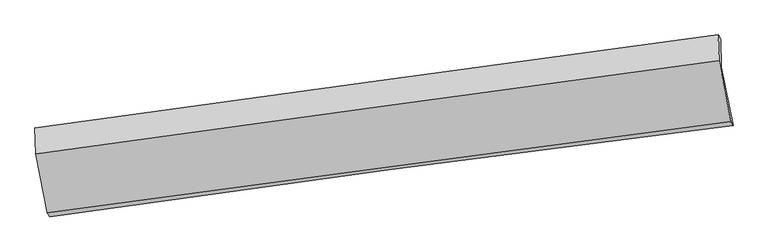
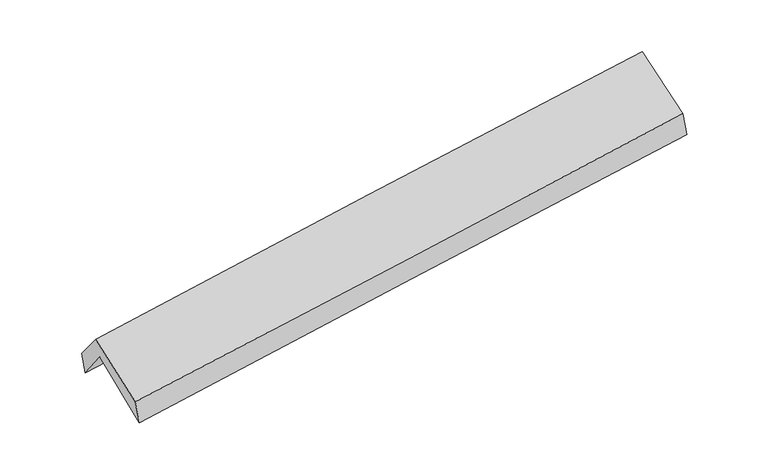
"""IFC4 building model written with IfcOpenShell, lengths in millimetres: proxy geometry."""

from ifc_helpers import new_model, si_unit, frame, origin, place, context, project, spatial, source, transform, mapped, element, save
from ifc_brep_helpers import plane_surface, spline_curve, spline_surface, advanced_brep


def generic_models_a773a335(model_context):
    return source(origin(), model_context, "Body", "AdvancedBrep", [
        advanced_brep(
        [(-2908.9882071, -2494.6944799, 1449.9626295), (-3012.1569134, -1983.3923806, 1873.6263059), (2953.5048876, -1182.3218411, 2375.2291566), (3057.3669212, -1691.9747832, 1940.0251639), (-3019.7430319, -1745.1241586, 1561.7353864), (2947.5706625, -938.3893464, 2032.8767081), (-3039.5520481, -1717.1603776, 1763.1025858), (2926.3171916, -900.6552313, 2235.7110344), (-3031.2504363, -1942.9015168, 2044.5788079), (2934.6625338, -1127.888728, 2519.1883373), (-2930.2011155, -2459.4043952, 1656.464749), (3036.2362075, -1657.0724248, 2146.1561937)],
        [
            (0, 1),
            (1, 2, spline_curve(3, [(-3012.1569134, -1983.3923806, 1873.6263059), (-2017.439996214, -1847.015044959, 1946.892530751), (-1022.946867794, -1712.071000535, 2025.325520416), (965.607073003, -1445.04744304, 2192.526312137), (1959.667878125, -1312.967974698, 2281.294272588), (2953.5048876, -1182.3218411, 2375.2291566)], [4, 2, 4], [0.0, 9.908295447700135, 19.81674297552039])),
            (2, 3),
            (3, 0, spline_curve(3, [(3057.3669212, -1691.9747832, 1940.0251639), (2062.006367365, -1814.153695569, 1850.77988667), (1067.126017691, -1942.137017637, 1765.318419324), (-921.659010109, -2209.710428318, 1601.964357308), (-1915.563703532, -2349.300338116, 1524.071646695), (-2908.9882071, -2494.6944799, 1449.9626295)], [4, 2, 4], [0.0, 9.908447527820256, 19.81674297552039])),
            (1, 4),
            (4, 5, spline_curve(3, [(-3019.7430319, -1745.1241586, 1561.7353864), (-2025.542046526, -1604.31602595, 1633.916990261), (-1031.169230176, -1466.684550461, 1709.269243384), (957.935329411, -1197.772848624, 1866.316253445), (1952.667077727, -1066.492720309, 1948.011107467), (2947.5706625, -938.3893464, 2032.8767081)], [4, 2, 4], [0.0, 9.908217580430781, 19.816587239786518])),
            (5, 2),
            (4, 6),
            (6, 7, spline_curve(3, [(-3039.5520481, -1717.1603776, 1763.1025858), (-2045.921443093, -1577.327458225, 1844.125907475), (-1051.954188276, -1439.369410718, 1924.021311999), (936.668881015, -1167.200971173, 2081.557496384), (1931.324706414, -1032.990636448, 2159.198240993), (2926.3171916, -900.6552313, 2235.7110344)], [4, 2, 4], [0.0, 9.908104529583325, 19.816361136356413])),
            (7, 5),
            (6, 8),
            (8, 9, spline_curve(3, [(-3031.2504363, -1942.9015168, 2044.5788079), (-2037.521401016, -1805.899549731, 2129.203457154), (-1043.501286494, -1669.481350187, 2211.066293476), (945.136360945, -1397.810402922, 2369.269554427), (1939.753903461, -1262.557672441, 2445.609894604), (2934.6625338, -1127.888728, 2519.1883373)], [4, 2, 4], [0.0, 9.908094873150548, 19.816341823342643])),
            (9, 7),
            (8, 10),
            (10, 11, spline_curve(3, [(-2930.2011155, -2459.4043952, 1656.464749), (-1935.519761637, -2325.603366542, 1734.58245163), (-940.979789474, -2191.842367359, 1814.44859681), (1047.832656067, -1924.398375989, 1977.679024873), (2042.105124455, -1790.715384962, 2061.043361089), (3036.2362075, -1657.0724248, 2146.1561937)], [4, 2, 4], [0.0, 9.908071476433033, 19.816295029548503])),
            (11, 9),
            (10, 0),
            (3, 11),
        ],
        [
            spline_surface(3, 3, [[(-2908.9882071, -2494.6944799, 1449.9626295), (-1915.563703404, -2349.300338248, 1524.071646676), (-921.659010222, -2209.710428189, 1601.964357323), (1067.126017804, -1942.137017765, 1765.318419309), (2062.006367388, -1814.153695618, 1850.779886788), (3057.3669212, -1691.9747832, 1940.0251639)], [(-2943.377775879, -2324.260446788, 1591.183854949), (-1949.52246768, -2181.87190719, 1665.011941397), (-955.421629389, -2043.830618911, 1743.084745024), (1033.286369473, -1776.440492906, 1907.721050227), (2027.893537581, -1647.091788672, 1994.284682095), (3022.746243318, -1522.090469167, 2085.093161456)], [(-2977.767344621, -2153.826413712, 1732.405080451), (-1983.481231918, -2014.443476167, 1805.952236172), (-989.184248495, -1877.950809649, 1884.205132757), (999.446721203, -1610.743968063, 2050.123681177), (1993.780707819, -1480.029881724, 2137.789477434), (2988.125565482, -1352.206155133, 2230.161159044)], [(-3012.1569134, -1983.3923806, 1873.6263059), (-2017.439996194, -1847.015045109, 1946.892530893), (-1022.946867663, -1712.071000371, 2025.325520458), (965.607072871, -1445.047443204, 2192.526312095), (1959.667878012, -1312.967974778, 2281.294272741), (2953.5048876, -1182.3218411, 2375.2291566)]], [4, 4], [4, 2, 4], [0.0, 2.1726024197948335], [0.0, 9.908295447700135, 19.81674297552039]),
            spline_surface(3, 3, [[(-3012.1569134, -1983.3923806, 1873.6263059), (-2017.439996194, -1847.015045109, 1946.892530893), (-1022.946867663, -1712.071000371, 2025.325520458), (965.607072871, -1445.047443204, 2192.526312095), (1959.667878012, -1312.967974778, 2281.294272741), (2953.5048876, -1182.3218411, 2375.2291566)], [(-3014.685619566, -1903.969639938, 1769.662666076), (-2020.140679625, -1766.11537209, 1842.567350709), (-1025.687655162, -1630.275517013, 1919.973428111), (963.049825035, -1362.622578377, 2083.789625838), (1957.334277956, -1230.80955666, 2170.199884312), (2951.526812569, -1101.011009547, 2261.11167377)], [(-3017.214325734, -1824.546899262, 1665.699026224), (-2022.841363058, -1685.215699058, 1738.242170499), (-1028.428442646, -1548.480033687, 1814.621335809), (960.492577216, -1280.197713581, 1975.052939625), (1955.000677893, -1148.651138499, 2059.105495873), (2949.548737531, -1019.700177953, 2146.99419093)], [(-3019.7430319, -1745.1241586, 1561.7353864), (-2025.542046489, -1604.316026039, 1633.916990315), (-1031.169230145, -1466.684550329, 1709.269243461), (957.935329379, -1197.772848755, 1866.316253368), (1952.667077837, -1066.492720381, 1948.011107444), (2947.5706625, -938.3893464, 2032.8767081)]], [4, 4], [4, 2, 4], [0.0, 1.328105914964452], [0.0, 9.908217580430781, 19.816587239786518]),
            spline_surface(3, 3, [[(-3019.7430319, -1745.1241586, 1561.7353864), (-2025.542046489, -1604.316026039, 1633.916990315), (-1031.169230145, -1466.684550329, 1709.269243461), (957.935329379, -1197.772848755, 1866.316253368), (1952.667077837, -1066.492720381, 1948.011107444), (2947.5706625, -938.3893464, 2032.8767081)], [(-3026.346037275, -1735.802898251, 1628.857786216), (-2032.335178641, -1595.319836739, 1703.986629371), (-1038.097549543, -1457.579503799, 1780.853266344), (950.846513323, -1187.582222868, 1938.063334329), (1945.552954053, -1055.325359049, 2018.40681867), (2940.486172207, -925.811308022, 2100.488150192)], [(-3032.949042725, -1726.481637949, 1695.980185984), (-2039.128310866, -1586.323647487, 1774.056268379), (-1045.025869007, -1448.474457297, 1852.43728924), (943.7576972, -1177.391597011, 2009.810415301), (1938.438830249, -1044.157997751, 2088.80252992), (2933.401681893, -913.233269678, 2168.099592308)], [(-3039.5520481, -1717.1603776, 1763.1025858), (-2045.921443019, -1577.327458187, 1844.125907435), (-1051.954188404, -1439.369410766, 1924.021312122), (936.668881143, -1167.200971125, 2081.557496261), (1931.324706466, -1032.99063642, 2159.198241145), (2926.3171916, -900.6552313, 2235.7110344)]], [4, 4], [4, 2, 4], [0.0, 0.7150678581002861], [0.0, 9.908104529583325, 19.816361136356413]),
            spline_surface(3, 3, [[(-3039.5520481, -1717.1603776, 1763.1025858), (-2045.921443019, -1577.327458187, 1844.125907435), (-1051.954188404, -1439.369410766, 1924.021312122), (936.668881143, -1167.200971125, 2081.557496261), (1931.324706466, -1032.99063642, 2159.198241145), (2926.3171916, -900.6552313, 2235.7110344)], [(-3036.784844167, -1792.407424016, 1856.92799314), (-2043.121428986, -1653.518155334, 1939.15175726), (-1049.136554481, -1516.073390636, 2019.702972525), (939.49137447, -1244.070781698, 2177.461515708), (1934.134438838, -1109.512981762, 2254.66879234), (2929.098972343, -976.399730192, 2330.203468716)], [(-3034.017640233, -1867.654470384, 1950.75340056), (-2040.321414953, -1729.708852432, 2034.177607167), (-1046.318920576, -1592.77737045, 2115.384632913), (942.313867777, -1320.940592216, 2273.365535141), (1936.944171179, -1186.035327127, 2350.139343487), (2931.880753057, -1052.144229108, 2424.695902984)], [(-3031.2504363, -1942.9015168, 2044.5788079), (-2037.521400921, -1805.899549579, 2129.203456992), (-1043.501286653, -1669.48135032, 2211.066293315), (945.136361104, -1397.810402789, 2369.269554588), (1939.753903552, -1262.557672469, 2445.609894682), (2934.6625338, -1127.888728, 2519.1883373)]], [4, 4], [4, 2, 4], [0.0, 1.208685812577895], [0.0, 9.908094873150548, 19.816341823342643]),
            spline_surface(3, 3, [[(-3031.2504363, -1942.9015168, 2044.5788079), (-2037.521400921, -1805.899549579, 2129.203456992), (-1043.501286653, -1669.48135032, 2211.066293315), (945.136361104, -1397.810402789, 2369.269554588), (1939.753903552, -1262.557672469, 2445.609894682), (2934.6625338, -1127.888728, 2519.1883373)], [(-2997.567329398, -2115.06914293, 1915.207454939), (-2003.520854576, -1979.134155197, 1997.663121902), (-1009.327454232, -1843.601689326, 2078.8603945), (979.368459392, -1573.339727181, 2238.739377986), (1973.870977205, -1438.610243296, 2317.421050171), (2968.520425028, -1304.283293596, 2394.844289433)], [(-2963.884222402, -2287.23676907, 1785.836101961), (-1969.520308138, -2152.368760826, 1866.122786796), (-975.153621803, -2017.722028355, 1946.654495701), (1013.600557687, -1748.869051595, 2108.2092014), (2007.988050876, -1614.662814134, 2189.232205659), (3002.378316272, -1480.677859204, 2270.500241567)], [(-2930.2011155, -2459.4043952, 1656.464749), (-1935.519761793, -2325.603366445, 1734.582451707), (-940.979789382, -2191.842367361, 1814.448596885), (1047.832655975, -1924.398375987, 1977.679024798), (2042.10512453, -1790.715384961, 2061.043361148), (3036.2362075, -1657.0724248, 2146.1561937)]], [4, 4], [4, 2, 4], [0.0, 2.178537321293566], [0.0, 9.908071476433033, 19.816295029548503]),
            spline_surface(3, 3, [[(-2930.2011155, -2459.4043952, 1656.464749), (-1935.519761793, -2325.603366445, 1734.582451707), (-940.979789382, -2191.842367361, 1814.448596885), (1047.832655975, -1924.398375987, 1977.679024798), (2042.10512453, -1790.715384961, 2061.043361148), (3036.2362075, -1657.0724248, 2146.1561937)], [(-2923.130146015, -2471.167756777, 1587.630709181), (-1928.867742312, -2333.502357056, 1664.412183378), (-934.539529663, -2197.798387651, 1743.620517062), (1054.263776584, -1930.311256594, 1906.892156332), (2048.738872151, -1798.528155188, 1990.955536361), (3043.279778735, -1668.706544275, 2077.445850433)], [(-2916.059176585, -2482.931118323, 1518.796669319), (-1922.215722886, -2341.401347637, 1594.241915005), (-928.099269942, -2203.754407899, 1672.792437147), (1060.694897195, -1936.224137159, 1836.105287775), (2055.372619767, -1806.340925391, 1920.867711576), (3050.323349965, -1680.340663725, 2008.735507167)], [(-2908.9882071, -2494.6944799, 1449.9626295), (-1915.563703404, -2349.300338248, 1524.071646676), (-921.659010222, -2209.710428189, 1601.964357323), (1067.126017804, -1942.137017765, 1765.318419309), (2062.006367388, -1814.153695618, 1850.779886788), (3057.3669212, -1691.9747832, 1940.0251639)]], [4, 4], [4, 2, 4], [0.0, 0.7022300958611113], [0.0, 9.908181626966435, 19.816515332305983]),
            plane_surface(frame((2975.9430674, -1249.7170591, 2208.1977657), z_axis=(0.9878308595118966, 0.13424925314510036, 0.07853235655429079), x_axis=(0.15498752990941003, -0.807461924530888, -0.5691960172080038))),
            plane_surface(frame((-2990.3152921, -2057.1128848, 1724.9117441), z_axis=(-0.9878308595119523, -0.13424925314418604, -0.07853235655515464), x_axis=(-0.10074179975321677, 0.16759543635820284, 0.9806950899715907))),
        ],
        [
            (0, [[1, 2, 3, 4]]),
            (1, [[5, 6, 7, -2]]),
            (2, [[8, 9, 10, -6]]),
            (3, [[11, 12, 13, -9]]),
            (4, [[14, 15, 16, -12]]),
            (5, [[17, -4, 18, -15]]),
            (6, [[-16, -18, -3, -7, -10, -13]]),
            (7, [[-17, -14, -11, -8, -5, -1]]),
        ],
    ),
    ])


if __name__ == "__main__":
    model = new_model("IFC4")
    model_context = context("Model", 3, world=origin())
    ifc_project = project(units=[si_unit("LENGTHUNIT", "METRE", prefix="MILLI")], contexts=[model_context])
    site = spatial("IfcSite", under=ifc_project)
    building = spatial("IfcBuilding", under=site)
    placement = place(None, origin())
    generic_models_shape = generic_models_a773a335(model_context)
    element("IfcBuildingElementProxy", 1, Name="Generic Models", at=placement, inside=building, context=model_context, shape_type="MappedRepresentation", body=[
        mapped(generic_models_shape, transform((0.0, 0.0, 0.0), x_axis=(1.0, 0.0, 0.0), y_axis=(0.0, 1.0, 0.0), z_axis=(0.0, 0.0, 1.0))),
    ])
    save(model, "model.ifc")
